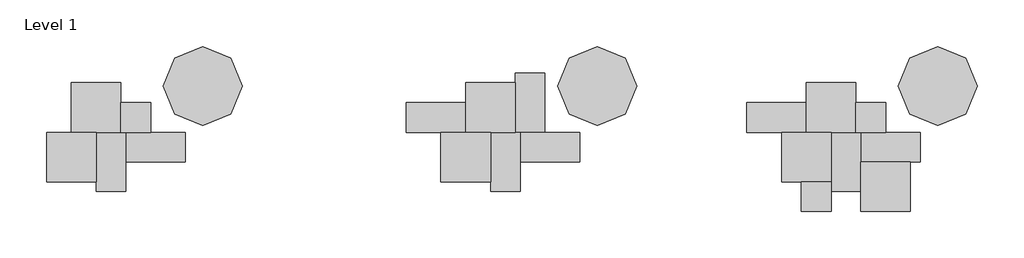
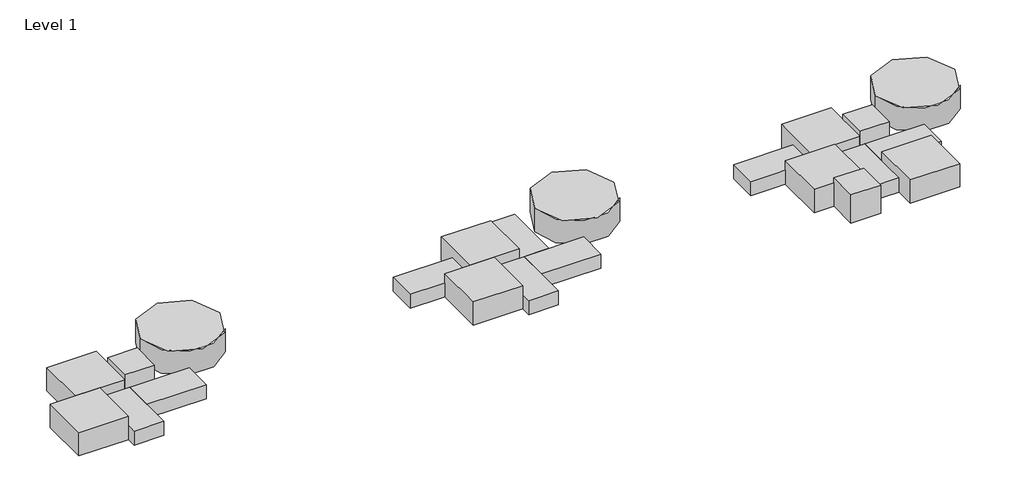
# One storey: 22 proxies.
"""IFC4 building model written with IfcOpenShell, lengths in millimetres."""

import ifcopenshell
import ifcopenshell.guid

model = None  # the IFC model being written
_history = None  # IfcOwnerHistory: only IFC2X3 demands one
_inside = {}  # id of a spatial element -> (the spatial element, [elements in it])
_under = {}  # id of a project, library or spatial element -> (it, [spatial elements below it])
_declared = {}  # id of a project -> (the project, [libraries it declares])
_typed = {}  # id of a type object -> (the type object, [elements of that type])
_made_of = {}  # id of a material, layer set ... -> (it, [elements and type objects made of it])


def new_model(schema):
    """Start an empty IFC model of exactly this schema.

    Asked for "IFC4X3", IfcOpenShell would pick the latest addendum, in which some entities
    have other attributes; the version numbers below select the first issue.
    IFC2X3 requires an IfcOwnerHistory on every rooted entity: one is made here for all.
    """
    global model, _history
    if schema == "IFC4X3":
        model = ifcopenshell.file(schema_version=(4, 3, 0, 0))
    else:
        model = ifcopenshell.file(schema=schema)
    _inside.clear()
    _under.clear()
    _declared.clear()
    _typed.clear()
    _made_of.clear()
    _history = None
    if model.schema == "IFC2X3":
        org = make("IfcOrganization", Name="unknown")
        user = make(
            "IfcPersonAndOrganization",
            ThePerson=make("IfcPerson", FamilyName="unknown"),
            TheOrganization=org,
        )
        app = make(
            "IfcApplication",
            ApplicationDeveloper=org,
            Version="unknown",
            ApplicationFullName="unknown",
            ApplicationIdentifier="unknown",
        )
        _history = make(
            "IfcOwnerHistory",
            OwningUser=user,
            OwningApplication=app,
            ChangeAction="ADDED",
            CreationDate=0,
        )
    return model


def make(cls, **values):
    """One entity of the class cls with the attributes given. An attribute that is None is left unset."""
    return model.create_entity(
        cls, **{name: value for name, value in values.items() if value is not None}
    )


def rooted(cls, **values):
    """An entity with a GlobalId (a new one), such as an element, a storey or a relation."""
    return make(cls, GlobalId=ifcopenshell.guid.new(), OwnerHistory=_history, **values)


def si_unit(unit_type, name, prefix=None):
    """IfcSIUnit, for example si_unit("LENGTHUNIT", "METRE", prefix="MILLI")."""
    return make("IfcSIUnit", UnitType=unit_type, Prefix=prefix, Name=name)


def assignment(units):
    """IfcUnitAssignment: the units of a project."""
    return None if units is None else make("IfcUnitAssignment", Units=units)


def point(xyz):
    """IfcCartesianPoint."""
    return None if xyz is None else make("IfcCartesianPoint", Coordinates=xyz)


def direction(xyz):
    """IfcDirection."""
    return None if xyz is None else make("IfcDirection", DirectionRatios=xyz)


def frame(location, z_axis=None, x_axis=None):
    """IfcAxis2Placement3D, a coordinate frame: its origin and axes. An axis left out is left unset."""
    return make(
        "IfcAxis2Placement3D",
        Location=point(location),
        Axis=direction(z_axis),
        RefDirection=direction(x_axis),
    )


def frame_2d(location, x_axis=None):
    """IfcAxis2Placement2D, a coordinate frame in the plane: its origin and x axis."""
    return make(
        "IfcAxis2Placement2D", Location=point(location), RefDirection=direction(x_axis)
    )


def origin():
    """The frame at (0, 0, 0) with its axes left unset."""
    return frame((0.0, 0.0, 0.0))


def origin_with_axes():
    """The frame at (0, 0, 0) with the z axis (0, 0, 1) and the x axis (1, 0, 0) written out."""
    return frame((0.0, 0.0, 0.0), z_axis=(0.0, 0.0, 1.0), x_axis=(1.0, 0.0, 0.0))


def place(relative_to, where):
    """IfcLocalPlacement: puts the frame where relative to a parent placement (None: the world)."""
    return make(
        "IfcLocalPlacement", PlacementRelTo=relative_to, RelativePlacement=where
    )


def context(
    kind, dimensions, precision=None, world=None, true_north=None, identifier=None
):
    """IfcGeometricRepresentationContext, for example the 3D "Model" context."""
    return make(
        "IfcGeometricRepresentationContext",
        ContextIdentifier=identifier,
        ContextType=kind,
        CoordinateSpaceDimension=dimensions,
        Precision=precision,
        WorldCoordinateSystem=world,
        TrueNorth=true_north,
    )


def project(units=None, contexts=None):
    """IfcProject with its units and contexts."""
    return rooted(
        "IfcProject",
        Name="project",
        RepresentationContexts=contexts,
        UnitsInContext=assignment(units),
    )


def spatial(cls, under=None, at=None, **own):
    """A site, building, storey or space (cls), placed at a placement, below another one or the project."""
    s = rooted(cls, ObjectPlacement=at, **own)
    if under is not None:
        _under.setdefault(under.id(), (under, []))[1].append(s)
    return s


def polyline(points):
    """IfcPolyline through the points."""
    return make("IfcPolyline", Points=[point(p) for p in points])


def circle_curve(where, radius):
    """IfcCircle in the frame where."""
    return make("IfcCircle", Position=where, Radius=radius)


def trimmed(basis, trim1, trim2, sense, master):
    """IfcTrimmedCurve: the piece of a basis curve between two trims."""
    return make(
        "IfcTrimmedCurve",
        BasisCurve=basis,
        Trim1=trim1,
        Trim2=trim2,
        SenseAgreement=sense,
        MasterRepresentation=master,
    )


def segment(curve, same_sense, transition):
    """IfcCompositeCurveSegment."""
    return make(
        "IfcCompositeCurveSegment",
        Transition=transition,
        SameSense=same_sense,
        ParentCurve=curve,
    )


def composite_curve(segments, self_intersect=None):
    """IfcCompositeCurve: segments joined end to end."""
    return make("IfcCompositeCurve", Segments=segments, SelfIntersect=self_intersect)


def outline(outer, holes=None, kind="AREA"):
    """IfcArbitraryClosedProfileDef: a profile drawn as a closed curve; with holes, ...WithVoids."""
    if holes is None:
        return make("IfcArbitraryClosedProfileDef", ProfileType=kind, OuterCurve=outer)
    return make(
        "IfcArbitraryProfileDefWithVoids",
        ProfileType=kind,
        OuterCurve=outer,
        InnerCurves=holes,
    )


def extrude(swept, where, along, depth):
    """IfcExtrudedAreaSolid: the profile swept, set in the frame where, extruded along a direction by depth."""
    return make(
        "IfcExtrudedAreaSolid",
        SweptArea=swept,
        Position=where,
        ExtrudedDirection=direction(along),
        Depth=depth,
    )


def shape(context_of_items, identifier, shape_type, items):
    """IfcShapeRepresentation: the items that make up one representation, for example the "Body"."""
    return make(
        "IfcShapeRepresentation",
        ContextOfItems=context_of_items,
        RepresentationIdentifier=identifier,
        RepresentationType=shape_type,
        Items=items,
    )


def source(mapping_origin, context_of_items, identifier, shape_type, items):
    """IfcRepresentationMap: a shape defined once, which mapped items show again and again."""
    return make(
        "IfcRepresentationMap",
        MappingOrigin=mapping_origin,
        MappedRepresentation=shape(context_of_items, identifier, shape_type, items),
    )


def transform(
    local_origin,
    x_axis=None,
    y_axis=None,
    z_axis=None,
    scale=None,
    scale2=None,
    scale3=None,
    uniform=True,
):
    """IfcCartesianTransformationOperator3D, or its non-uniform kind. x_axis, y_axis, z_axis: its Axis1, 2, 3."""
    if uniform:
        return make(
            "IfcCartesianTransformationOperator3D",
            Axis1=direction(x_axis),
            Axis2=direction(y_axis),
            LocalOrigin=point(local_origin),
            Scale=scale,
            Axis3=direction(z_axis),
        )
    return make(
        "IfcCartesianTransformationOperator3DnonUniform",
        Axis1=direction(x_axis),
        Axis2=direction(y_axis),
        LocalOrigin=point(local_origin),
        Scale=scale,
        Axis3=direction(z_axis),
        Scale2=scale2,
        Scale3=scale3,
    )


def mapped(mapping_source, mapping_target):
    """IfcMappedItem: shows the shape of a source again, moved by a transform."""
    return make(
        "IfcMappedItem", MappingSource=mapping_source, MappingTarget=mapping_target
    )


def made_of(thing, what):
    """Note that an element or type object is made of a material, layer set ...; save() writes the relation."""
    if what is not None:
        _made_of.setdefault(what.id(), (what, []))[1].append(thing)
    return thing


def element(
    cls,
    number,
    at=None,
    inside=None,
    cuts=None,
    type_object=None,
    material=None,
    context=None,
    identifier="Body",
    shape_type=None,
    held_by="IfcProductDefinitionShape",
    body=None,
    shapes=None,
    **own,
):
    """One element of the class cls, such as IfcWall. Its Tag is "e" and its number.

    at: its placement. inside: the storey or other place that contains it. cuts: it is an
    opening in that element (IfcRelVoidsElement). A single representation is given by context,
    identifier, shape_type and body (its items); several are given by shapes. held_by: the class
    of the entity that holds the representations. save() writes the other relations.
    """
    e = rooted(cls, Tag="e%d" % number, ObjectPlacement=at, **own)
    if body is not None:
        shapes = [shape(context, identifier, shape_type, body)]
    if shapes is not None:
        e.Representation = make(held_by, Representations=shapes)
    if inside is not None:
        _inside.setdefault(inside.id(), (inside, []))[1].append(e)
    if cuts is not None:
        rooted(
            "IfcRelVoidsElement", RelatingBuildingElement=cuts, RelatedOpeningElement=e
        )
    if type_object is not None:
        _typed.setdefault(type_object.id(), (type_object, []))[1].append(e)
    return made_of(e, material)


def aggregate(whole, parts):
    """IfcRelAggregates: a whole, such as a stair, and the parts it consists of."""
    return rooted("IfcRelAggregates", RelatingObject=whole, RelatedObjects=parts)


def save(model, path):
    """Write the relations noted so far, then the file.

    IfcRelAggregates (storeys below a building ...), IfcRelContainedInSpatialStructure (elements
    in a storey), IfcRelDefinesByType, IfcRelAssociatesMaterial and IfcRelDeclares: one each for
    every whole, place, type object, material and project.
    """
    for whole, parts in _under.values():
        aggregate(whole, parts)
    for where, things in _inside.values():
        rooted(
            "IfcRelContainedInSpatialStructure",
            RelatedElements=things,
            RelatingStructure=where,
        )
    for kind, things in _typed.values():
        rooted("IfcRelDefinesByType", RelatedObjects=things, RelatingType=kind)
    for what, things in _made_of.values():
        rooted("IfcRelAssociatesMaterial", RelatedObjects=things, RelatingMaterial=what)
    for by, libraries in _declared.values():
        rooted("IfcRelDeclares", RelatingContext=by, RelatedDefinitions=libraries)
    model.write(path)


def child_1_type_1_600x600_497d01fa(model_context):
    return source(origin(), model_context, "Body", "SweptSolid", [
        extrude(outline(polyline([(300.0, 300.0), (300.0, -300.0), (-300.0, -300.0), (-300.0, 300.0), (300.0, 300.0)])), origin_with_axes(), (0.0, 0.0, 1.0), 600.0),
    ])


def child_1_type_2_1200x600_7c89eab9(model_context):
    return source(origin(), model_context, "Body", "SweptSolid", [
        extrude(outline(polyline([(600.0, 300.0), (600.0, -300.0), (-600.0, -300.0), (-600.0, 300.0), (600.0, 300.0)])), origin_with_axes(), (0.0, 0.0, 1.0), 300.0),
    ])


def child_1_type_3_1000x1000_e0c4999a(model_context):
    return source(origin(), model_context, "Body", "SweptSolid", [
        extrude(outline(polyline([(500.0, 500.0), (500.0, -500.0), (-500.0, -500.0), (-500.0, 500.0), (500.0, 500.0)])), origin_with_axes(), (0.0, 0.0, 1.0), 500.0),
    ])


def host_family_variant_1_74d4b412(model_context):
    return source(origin(), model_context, "Body", "SweptSolid", [
        extrude(outline(composite_curve([segment(trimmed(circle_curve(frame_2d((1856.2222283, 1186.6609363)), 800.0), [point((1056.2222283, 1186.6609363))], [point((2656.2222283, 1186.6609363))], False, "CARTESIAN"), True, "CONTINUOUS"), segment(trimmed(circle_curve(frame_2d((1856.2222283, 1186.6609363)), 800.0), [point((2656.2222283, 1186.6609363))], [point((1056.2222283, 1186.6609363))], False, "CARTESIAN"), True, "CONTINUOUS")], self_intersect=False)), origin_with_axes(), (0.0, 0.0, 1.0), 500.0),
    ])


model = new_model("IFC4")

# Units and contexts
model_context = context("Model", 3, world=origin())
ifc_project = project(units=[si_unit("LENGTHUNIT", "METRE", prefix="MILLI")], contexts=[model_context])

# Site, building, storey
site = spatial("IfcSite", under=ifc_project)
building = spatial("IfcBuilding", under=site)
storey = spatial("IfcBuildingStorey", under=building, Name="Level 1", Elevation=0.0)

# Proxies
placement = place(None, origin())
child_1_type_1_600x600_shape = child_1_type_1_600x600_497d01fa(model_context)
element("IfcBuildingElementProxy", 1, Name="Child 1 : Type 1 600x600", ObjectType="Child 1 : Type 1 600x600", at=placement, inside=storey, context=model_context, shape_type="MappedRepresentation", body=[
    mapped(child_1_type_1_600x600_shape, transform((9939.2379278, -3373.8566939, 0.0), x_axis=(1.0, 0.0, 0.0), y_axis=(0.0, 1.0, 0.0), z_axis=(0.0, 0.0, 1.0))),
])
element("IfcBuildingElementProxy", 2, Name="Child 1 : Type 1 600x600", ObjectType="Child 1 : Type 1 600x600", at=placement, inside=storey, context=model_context, shape_type="MappedRepresentation", body=[
    mapped(child_1_type_1_600x600_shape, transform((-4904.4455224, -3373.8566939, 0.0), x_axis=(1.0, 0.0, 0.0), y_axis=(0.0, 1.0, 0.0), z_axis=(0.0, 0.0, 1.0))),
])
element("IfcBuildingElementProxy", 3, Name="Child 1 : Type 1 600x600", ObjectType="Child 1 : Type 1 600x600", at=placement, inside=storey, context=model_context, shape_type="MappedRepresentation", body=[
    mapped(child_1_type_1_600x600_shape, transform((8839.2379278, -4973.8566939, 0.0), x_axis=(1.0, 0.0, 0.0), y_axis=(0.0, 1.0, 0.0), z_axis=(0.0, 0.0, 1.0))),
])
child_1_type_2_1200x600_shape = child_1_type_2_1200x600_7c89eab9(model_context)
element("IfcBuildingElementProxy", 4, Name="Child 1 : Type 2 1200x600", ObjectType="Child 1 : Type 2 1200x600", at=placement, inside=storey, context=model_context, shape_type="MappedRepresentation", body=[
    mapped(child_1_type_2_1200x600_shape, transform((3461.5235387, -3973.8566939, 0.0), x_axis=(1.0, 0.0, 0.0), y_axis=(0.0, 1.0, 0.0), z_axis=(0.0, 0.0, 1.0))),
])
element("IfcBuildingElementProxy", 5, Name="Child 1 : Type 2 1200x600", ObjectType="Child 1 : Type 2 1200x600", at=placement, inside=storey, context=model_context, shape_type="MappedRepresentation", body=[
    mapped(child_1_type_2_1200x600_shape, transform((8039.2379278, -3373.8566939, 0.0), x_axis=(1.0, 0.0, 0.0), y_axis=(0.0, 1.0, 0.0), z_axis=(0.0, 0.0, 1.0))),
])
element("IfcBuildingElementProxy", 6, Name="Child 1 : Type 2 1200x600", ObjectType="Child 1 : Type 2 1200x600", at=placement, inside=storey, context=model_context, shape_type="MappedRepresentation", body=[
    mapped(child_1_type_2_1200x600_shape, transform((2561.5235387, -4273.8566939, 0.0), x_axis=(0.0, 1.0, 0.0), y_axis=(-1.0, 0.0, 0.0), z_axis=(0.0, 0.0, 1.0))),
])
element("IfcBuildingElementProxy", 7, Name="Child 1 : Type 2 1200x600", ObjectType="Child 1 : Type 2 1200x600", at=placement, inside=storey, context=model_context, shape_type="MappedRepresentation", body=[
    mapped(child_1_type_2_1200x600_shape, transform((1161.5235387, -3373.8566939, 0.0), x_axis=(1.0, 0.0, 0.0), y_axis=(0.0, 1.0, 0.0), z_axis=(0.0, 0.0, 1.0))),
])
element("IfcBuildingElementProxy", 8, Name="Child 1 : Type 2 1200x600", ObjectType="Child 1 : Type 2 1200x600", at=placement, inside=storey, context=model_context, shape_type="MappedRepresentation", body=[
    mapped(child_1_type_2_1200x600_shape, transform((3061.5235387, -3073.8566939, 0.0), x_axis=(0.0, 1.0, 0.0), y_axis=(-1.0, 0.0, 0.0), z_axis=(0.0, 0.0, 1.0))),
])
element("IfcBuildingElementProxy", 9, Name="Child 1 : Type 2 1200x600", ObjectType="Child 1 : Type 2 1200x600", at=placement, inside=storey, context=model_context, shape_type="MappedRepresentation", body=[
    mapped(child_1_type_2_1200x600_shape, transform((-5404.4455224, -4273.8566939, 0.0), x_axis=(0.0, 1.0, 0.0), y_axis=(-1.0, 0.0, 0.0), z_axis=(0.0, 0.0, 1.0))),
])
element("IfcBuildingElementProxy", 10, Name="Child 1 : Type 2 1200x600", ObjectType="Child 1 : Type 2 1200x600", at=placement, inside=storey, context=model_context, shape_type="MappedRepresentation", body=[
    mapped(child_1_type_2_1200x600_shape, transform((-4504.4455224, -3973.8566939, 0.0), x_axis=(1.0, 0.0, 0.0), y_axis=(0.0, 1.0, 0.0), z_axis=(0.0, 0.0, 1.0))),
])
element("IfcBuildingElementProxy", 11, Name="Child 1 : Type 2 1200x600", ObjectType="Child 1 : Type 2 1200x600", at=placement, inside=storey, context=model_context, shape_type="MappedRepresentation", body=[
    mapped(child_1_type_2_1200x600_shape, transform((10339.2379278, -3973.8566939, 0.0), x_axis=(1.0, 0.0, 0.0), y_axis=(0.0, 1.0, 0.0), z_axis=(0.0, 0.0, 1.0))),
])
element("IfcBuildingElementProxy", 12, Name="Child 1 : Type 2 1200x600", ObjectType="Child 1 : Type 2 1200x600", at=placement, inside=storey, context=model_context, shape_type="MappedRepresentation", body=[
    mapped(child_1_type_2_1200x600_shape, transform((9439.2379278, -4273.8566939, 0.0), x_axis=(0.0, 1.0, 0.0), y_axis=(-1.0, 0.0, 0.0), z_axis=(0.0, 0.0, 1.0))),
])
child_1_type_3_1000x1000_shape = child_1_type_3_1000x1000_e0c4999a(model_context)
element("IfcBuildingElementProxy", 13, Name="Child 1 : Type 3 1000x1000", ObjectType="Child 1 : Type 3 1000x1000", at=placement, inside=storey, context=model_context, shape_type="MappedRepresentation", body=[
    mapped(child_1_type_3_1000x1000_shape, transform((-6204.4455224, -4173.8566939, 0.0), x_axis=(1.0, 0.0, 0.0), y_axis=(0.0, 1.0, 0.0), z_axis=(0.0, 0.0, 1.0))),
])
element("IfcBuildingElementProxy", 14, Name="Child 1 : Type 3 1000x1000", ObjectType="Child 1 : Type 3 1000x1000", at=placement, inside=storey, context=model_context, shape_type="MappedRepresentation", body=[
    mapped(child_1_type_3_1000x1000_shape, transform((10239.2379278, -4773.8566939, 0.0), x_axis=(1.0, 0.0, 0.0), y_axis=(0.0, 1.0, 0.0), z_axis=(0.0, 0.0, 1.0))),
])
element("IfcBuildingElementProxy", 15, Name="Child 1 : Type 3 1000x1000", ObjectType="Child 1 : Type 3 1000x1000", at=placement, inside=storey, context=model_context, shape_type="MappedRepresentation", body=[
    mapped(child_1_type_3_1000x1000_shape, transform((2261.5235387, -3173.8566939, 0.0), x_axis=(1.0, 0.0, 0.0), y_axis=(0.0, 1.0, 0.0), z_axis=(0.0, 0.0, 1.0))),
])
element("IfcBuildingElementProxy", 16, Name="Child 1 : Type 3 1000x1000", ObjectType="Child 1 : Type 3 1000x1000", at=placement, inside=storey, context=model_context, shape_type="MappedRepresentation", body=[
    mapped(child_1_type_3_1000x1000_shape, transform((9139.2379278, -3173.8566939, 0.0), x_axis=(1.0, 0.0, 0.0), y_axis=(0.0, 1.0, 0.0), z_axis=(0.0, 0.0, 1.0))),
])
element("IfcBuildingElementProxy", 17, Name="Child 1 : Type 3 1000x1000", ObjectType="Child 1 : Type 3 1000x1000", at=placement, inside=storey, context=model_context, shape_type="MappedRepresentation", body=[
    mapped(child_1_type_3_1000x1000_shape, transform((1761.5235387, -4173.8566939, 0.0), x_axis=(1.0, 0.0, 0.0), y_axis=(0.0, 1.0, 0.0), z_axis=(0.0, 0.0, 1.0))),
])
element("IfcBuildingElementProxy", 18, Name="Child 1 : Type 3 1000x1000", ObjectType="Child 1 : Type 3 1000x1000", at=placement, inside=storey, context=model_context, shape_type="MappedRepresentation", body=[
    mapped(child_1_type_3_1000x1000_shape, transform((-5704.4455224, -3173.8566939, 0.0), x_axis=(1.0, 0.0, 0.0), y_axis=(0.0, 1.0, 0.0), z_axis=(0.0, 0.0, 1.0))),
])
element("IfcBuildingElementProxy", 19, Name="Child 1 : Type 3 1000x1000", ObjectType="Child 1 : Type 3 1000x1000", at=placement, inside=storey, context=model_context, shape_type="MappedRepresentation", body=[
    mapped(child_1_type_3_1000x1000_shape, transform((8639.2379278, -4173.8566939, 0.0), x_axis=(1.0, 0.0, 0.0), y_axis=(0.0, 1.0, 0.0), z_axis=(0.0, 0.0, 1.0))),
])
host_family_variant_1_shape = host_family_variant_1_74d4b412(model_context)
element("IfcBuildingElementProxy", 20, Name="Host Family : Variant 1", ObjectType="Host Family : Variant 1", at=placement, inside=storey, context=model_context, shape_type="MappedRepresentation", body=[
    mapped(host_family_variant_1_shape, transform((-5404.4455224, -3924.4092165, 0.0), x_axis=(1.0, 0.0, 0.0), y_axis=(0.0, 1.0, 0.0), z_axis=(0.0, 0.0, 1.0))),
])
element("IfcBuildingElementProxy", 21, Name="Host Family : Variant 2", ObjectType="Host Family : Variant 2", at=placement, inside=storey, context=model_context, shape_type="MappedRepresentation", body=[
    mapped(host_family_variant_1_shape, transform((2561.5235387, -3924.4092165, 0.0), x_axis=(1.0, 0.0, 0.0), y_axis=(0.0, 1.0, 0.0), z_axis=(0.0, 0.0, 1.0))),
])
element("IfcBuildingElementProxy", 22, Name="Host Family : Variant 4", ObjectType="Host Family : Variant 4", at=placement, inside=storey, context=model_context, shape_type="MappedRepresentation", body=[
    mapped(host_family_variant_1_shape, transform((9439.2379278, -3924.4092165, 0.0), x_axis=(1.0, 0.0, 0.0), y_axis=(0.0, 1.0, 0.0), z_axis=(0.0, 0.0, 1.0))),
])

save(model, "model.ifc")
